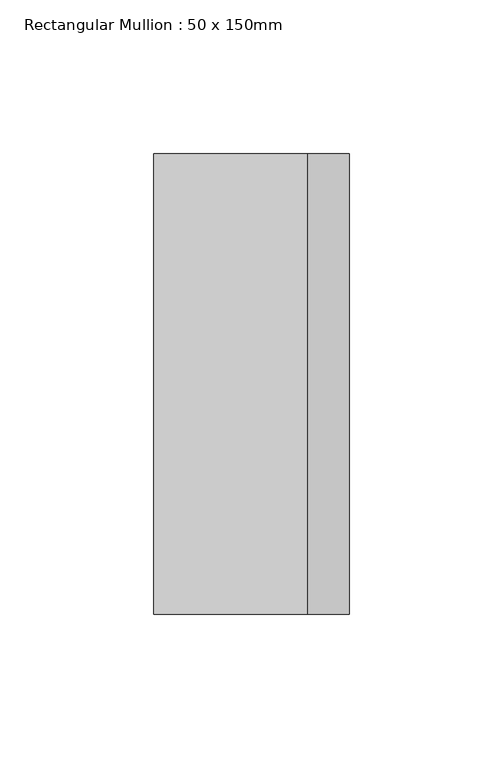
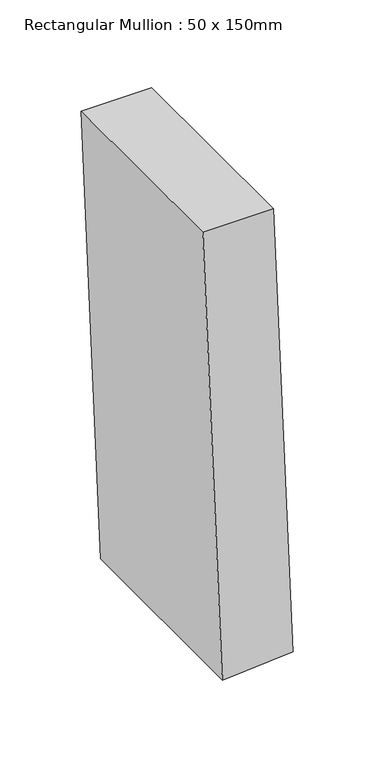
"""IFC4 building model written with IfcOpenShell, lengths in millimetres: member geometry, Rectangular Mullion : 50 x 150mm."""

from ifc_helpers import new_model, si_unit, point, frame, frame_2d, origin, place, context, project, spatial, polyline, circle_curve, trimmed, segment, composite_curve, outline, extrude, source, transform, mapped, element, save


def rectangular_mullion_50_x_150mm_1c88c1c3(model_context):
    return source(origin(), model_context, "Body", "SweptSolid", [
        extrude(outline(composite_curve([segment(trimmed(circle_curve(frame_2d((0.0, 4163.3746925)), 4163.3746925), [point((-336.8659992, 13.6505898))], [point((0.0, 0.0))], True, "CARTESIAN"), True, "CONTINUOUS"), segment(polyline([(0.0, 0.0), (0.0, -50.0)]), True, "CONTINUOUS"), segment(trimmed(circle_curve(frame_2d((0.0, 4163.3746925)), 4213.3746925), [point((0.0, -50.0))], [point((-340.9115875, -36.1854736))], False, "CARTESIAN"), True, "CONTINUOUS"), segment(polyline([(-340.9115875, -36.1854736), (-336.8659992, 13.6505898)]), True, "CONTINUOUS")], self_intersect=False)), frame((0.0, -75.0, 0.0), z_axis=(0.0, 1.0, 0.0), x_axis=(0.0, 0.0, 1.0)), (0.0, 0.0, 1.0), 150.0),
    ])


if __name__ == "__main__":
    model = new_model("IFC4")
    model_context = context("Model", 3, world=origin())
    ifc_project = project(units=[si_unit("LENGTHUNIT", "METRE", prefix="MILLI")], contexts=[model_context])
    site = spatial("IfcSite", under=ifc_project)
    building = spatial("IfcBuilding", under=site)
    placement = place(None, origin())
    rectangular_mullion_50_x_150mm_shape = rectangular_mullion_50_x_150mm_1c88c1c3(model_context)
    element("IfcMember", 1, ObjectType="Rectangular Mullion : 50 x 150mm", at=placement, inside=building, context=model_context, shape_type="MappedRepresentation", body=[
        mapped(rectangular_mullion_50_x_150mm_shape, transform((0.0, 0.0, 0.0), x_axis=(1.0, 0.0, 0.0), y_axis=(0.0, 1.0, 0.0), z_axis=(0.0, 0.0, 1.0))),
    ])
    save(model, "model.ifc")
